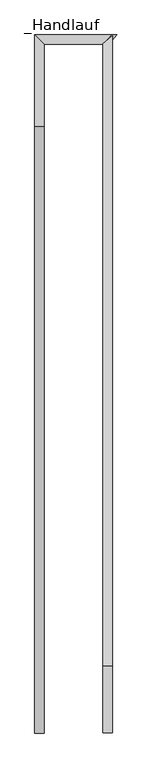
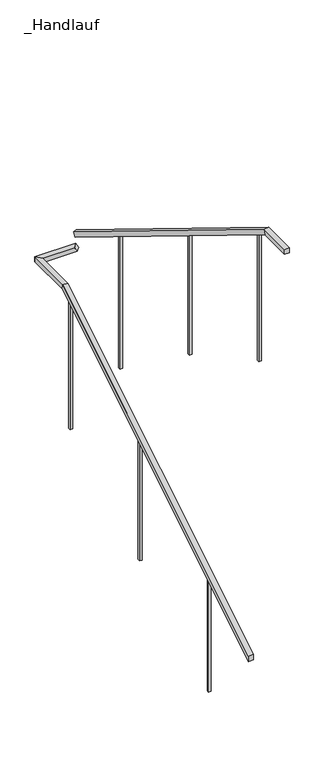
"""IFC4 building model written with IfcOpenShell, lengths in millimetres: railing geometry, _Handlauf."""

from ifc_helpers import new_model, si_unit, frame, origin, place, context, project, spatial, polyline, outline, extrude, faceted_brep, source, transform, mapped, element, save


def handlauf_0bfbb3bd(model_context):
    return source(origin(), model_context, "Body", "SolidModel", [
        faceted_brep([(12142.2, 3985.4, 1175.0), (12102.2, 3985.4, 1175.0), (12102.2, 3985.4, 1128.0610765), (12142.2, 3985.4, 1128.0610765), (12142.2, 6550.4, 2750.0), (12102.2, 6550.4, 2750.0), (12102.2, 6561.7005326, 2710.0), (12142.2, 6561.7005326, 2710.0), (12142.2, 6897.8, 2750.0), (12142.2, 6897.8, 2710.0), (12102.2, 6937.8, 2710.0), (12102.2, 6937.8, 2750.0)], [[[0, 1, 2, 3]], [[1, 0, 4, 5]], [[2, 1, 5, 6]], [[3, 2, 6, 7]], [[0, 3, 7, 4]], [[8, 9, 10, 11]], [[5, 4, 8, 11]], [[6, 5, 11, 10]], [[7, 6, 10, 9]], [[4, 7, 9, 8]]]),
        faceted_brep([(12142.2, 6897.8, 2750.0), (12102.2, 6937.8, 2750.0), (12102.2, 6937.8, 2710.0), (12142.2, 6897.8, 2710.0), (12394.9565755, 6897.8, 2750.0), (12415.8870968, 6897.8, 2710.0), (12449.9739458, 6937.8, 2710.0), (12429.0434245, 6937.8, 2750.0)], [[[0, 1, 2, 3]], [[4, 5, 6, 7]], [[1, 0, 4, 7]], [[2, 1, 7, 6]], [[3, 2, 6, 5]], [[0, 3, 5, 4]]]),
        faceted_brep([(12392.0, 6900.7565755, 2884.8687694), (12432.0, 6934.8434245, 2863.9382481), (12432.0, 6913.9129032, 2829.8513991), (12392.0, 6879.8260542, 2850.7819204), (12392.0, 4270.4, 4500.0), (12432.0, 4270.4, 4500.0), (12432.0, 4259.0994674, 4460.0), (12392.0, 4259.0994674, 4460.0), (12392.0, 3985.4, 4500.0), (12392.0, 3985.4, 4460.0), (12432.0, 3985.4, 4460.0), (12432.0, 3985.4, 4500.0)], [[[0, 1, 2, 3]], [[1, 0, 4, 5]], [[2, 1, 5, 6]], [[3, 2, 6, 7]], [[0, 3, 7, 4]], [[8, 9, 10, 11]], [[5, 4, 8, 11]], [[6, 5, 11, 10]], [[7, 6, 10, 9]], [[4, 7, 9, 8]]]),
        extrude(outline(polyline([(4378.7866667, 4393.4467836), (4378.7866667, 3325.0), (4358.7866667, 3325.0), (4358.7866667, 4405.7274854), (4378.7866667, 4393.4467836)])), frame((12402.0, 0.0, 0.0), z_axis=(1.0, 0.0, 0.0), x_axis=(0.0, 1.0, 0.0)), (0.0, 0.0, 1.0), 20.0),
        extrude(outline(polyline([(5337.2533333, 3804.9146199), (5337.2533333, 2800.0), (5317.2533333, 2800.0), (5317.2533333, 3817.1953216), (5337.2533333, 3804.9146199)])), frame((12402.0, 0.0, 0.0), z_axis=(1.0, 0.0, 0.0), x_axis=(0.0, 1.0, 0.0)), (0.0, 0.0, 1.0), 20.0),
        extrude(outline(polyline([(6295.72, 3216.3824561), (6295.72, 2100.0), (6275.72, 2100.0), (6275.72, 3228.6631579), (6295.72, 3216.3824561)])), frame((12402.0, 0.0, 0.0), z_axis=(1.0, 0.0, 0.0), x_axis=(0.0, 1.0, 0.0)), (0.0, 0.0, 1.0), 20.0),
        extrude(outline(polyline([(6467.4133333, 1575.0), (6467.4133333, 2659.0432749), (6487.4133333, 2671.3239766), (6487.4133333, 1575.0), (6467.4133333, 1575.0)])), frame((12112.2, 0.0, 0.0), z_axis=(1.0, 0.0, 0.0), x_axis=(0.0, 1.0, 0.0)), (0.0, 0.0, 1.0), 20.0),
        extrude(outline(polyline([(5508.9466667, 1050.0), (5508.9466667, 2070.5111111), (5528.9466667, 2082.7918129), (5528.9466667, 1050.0), (5508.9466667, 1050.0)])), frame((12112.2, 0.0, 0.0), z_axis=(1.0, 0.0, 0.0), x_axis=(0.0, 1.0, 0.0)), (0.0, 0.0, 1.0), 20.0),
        extrude(outline(polyline([(4550.48, 525.0), (4550.48, 1481.9789474), (4570.48, 1494.2596491), (4570.48, 525.0), (4550.48, 525.0)])), frame((12112.2, 0.0, 0.0), z_axis=(1.0, 0.0, 0.0), x_axis=(0.0, 1.0, 0.0)), (0.0, 0.0, 1.0), 20.0),
    ])


if __name__ == "__main__":
    model = new_model("IFC4")
    model_context = context("Model", 3, world=origin())
    ifc_project = project(units=[si_unit("LENGTHUNIT", "METRE", prefix="MILLI")], contexts=[model_context])
    site = spatial("IfcSite", under=ifc_project)
    building = spatial("IfcBuilding", under=site)
    placement = place(None, origin())
    handlauf_shape = handlauf_0bfbb3bd(model_context)
    element("IfcRailing", 1, ObjectType="_Handlauf", at=placement, inside=building, context=model_context, shape_type="MappedRepresentation", body=[
        mapped(handlauf_shape, transform((0.0, 0.0, 0.0), x_axis=(1.0, 0.0, 0.0), y_axis=(0.0, 1.0, 0.0), z_axis=(0.0, 0.0, 1.0))),
    ])
    save(model, "model.ifc")
